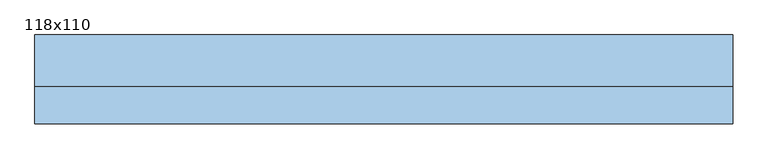
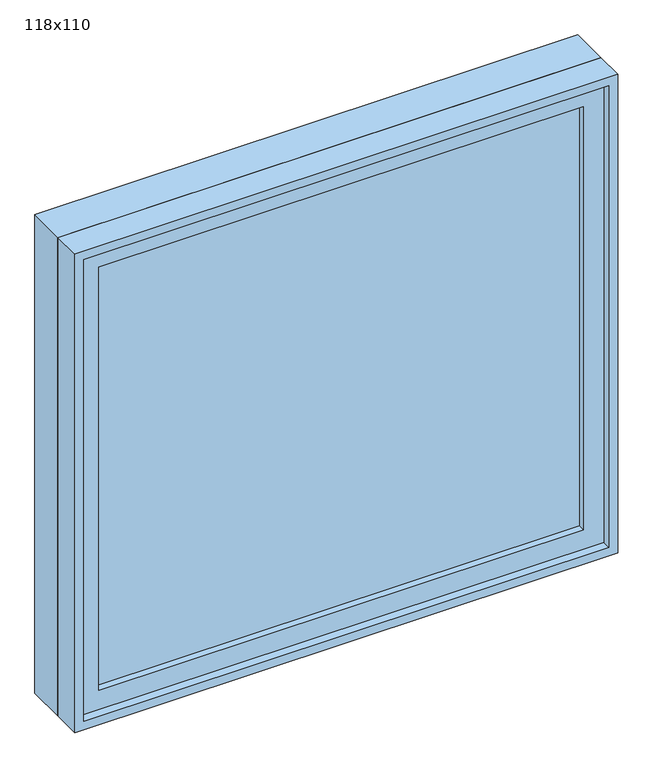
"""IFC4 building model written with IfcOpenShell, lengths in millimetres: window geometry, 118x110."""

import ifcopenshell
import ifcopenshell.guid

model = None  # the IFC model being written
_history = None  # IfcOwnerHistory: only IFC2X3 demands one
_inside = {}  # id of a spatial element -> (the spatial element, [elements in it])
_under = {}  # id of a project, library or spatial element -> (it, [spatial elements below it])
_declared = {}  # id of a project -> (the project, [libraries it declares])
_typed = {}  # id of a type object -> (the type object, [elements of that type])
_made_of = {}  # id of a material, layer set ... -> (it, [elements and type objects made of it])


def new_model(schema):
    """Start an empty IFC model of exactly this schema.

    Asked for "IFC4X3", IfcOpenShell would pick the latest addendum, in which some entities
    have other attributes; the version numbers below select the first issue.
    IFC2X3 requires an IfcOwnerHistory on every rooted entity: one is made here for all.
    """
    global model, _history
    if schema == "IFC4X3":
        model = ifcopenshell.file(schema_version=(4, 3, 0, 0))
    else:
        model = ifcopenshell.file(schema=schema)
    _inside.clear()
    _under.clear()
    _declared.clear()
    _typed.clear()
    _made_of.clear()
    _history = None
    if model.schema == "IFC2X3":
        org = make("IfcOrganization", Name="unknown")
        user = make(
            "IfcPersonAndOrganization",
            ThePerson=make("IfcPerson", FamilyName="unknown"),
            TheOrganization=org,
        )
        app = make(
            "IfcApplication",
            ApplicationDeveloper=org,
            Version="unknown",
            ApplicationFullName="unknown",
            ApplicationIdentifier="unknown",
        )
        _history = make(
            "IfcOwnerHistory",
            OwningUser=user,
            OwningApplication=app,
            ChangeAction="ADDED",
            CreationDate=0,
        )
    return model


def make(cls, **values):
    """One entity of the class cls with the attributes given. An attribute that is None is left unset."""
    return model.create_entity(
        cls, **{name: value for name, value in values.items() if value is not None}
    )


def rooted(cls, **values):
    """An entity with a GlobalId (a new one), such as an element, a storey or a relation."""
    return make(cls, GlobalId=ifcopenshell.guid.new(), OwnerHistory=_history, **values)


def si_unit(unit_type, name, prefix=None):
    """IfcSIUnit, for example si_unit("LENGTHUNIT", "METRE", prefix="MILLI")."""
    return make("IfcSIUnit", UnitType=unit_type, Prefix=prefix, Name=name)


def assignment(units):
    """IfcUnitAssignment: the units of a project."""
    return None if units is None else make("IfcUnitAssignment", Units=units)


def point(xyz):
    """IfcCartesianPoint."""
    return None if xyz is None else make("IfcCartesianPoint", Coordinates=xyz)


def direction(xyz):
    """IfcDirection."""
    return None if xyz is None else make("IfcDirection", DirectionRatios=xyz)


def frame(location, z_axis=None, x_axis=None):
    """IfcAxis2Placement3D, a coordinate frame: its origin and axes. An axis left out is left unset."""
    return make(
        "IfcAxis2Placement3D",
        Location=point(location),
        Axis=direction(z_axis),
        RefDirection=direction(x_axis),
    )


def origin():
    """The frame at (0, 0, 0) with its axes left unset."""
    return frame((0.0, 0.0, 0.0))


def place(relative_to, where):
    """IfcLocalPlacement: puts the frame where relative to a parent placement (None: the world)."""
    return make(
        "IfcLocalPlacement", PlacementRelTo=relative_to, RelativePlacement=where
    )


def context(
    kind, dimensions, precision=None, world=None, true_north=None, identifier=None
):
    """IfcGeometricRepresentationContext, for example the 3D "Model" context."""
    return make(
        "IfcGeometricRepresentationContext",
        ContextIdentifier=identifier,
        ContextType=kind,
        CoordinateSpaceDimension=dimensions,
        Precision=precision,
        WorldCoordinateSystem=world,
        TrueNorth=true_north,
    )


def project(units=None, contexts=None):
    """IfcProject with its units and contexts."""
    return rooted(
        "IfcProject",
        Name="project",
        RepresentationContexts=contexts,
        UnitsInContext=assignment(units),
    )


def spatial(cls, under=None, at=None, **own):
    """A site, building, storey or space (cls), placed at a placement, below another one or the project."""
    s = rooted(cls, ObjectPlacement=at, **own)
    if under is not None:
        _under.setdefault(under.id(), (under, []))[1].append(s)
    return s


def polyline(points):
    """IfcPolyline through the points."""
    return make("IfcPolyline", Points=[point(p) for p in points])


def outline(outer, holes=None, kind="AREA"):
    """IfcArbitraryClosedProfileDef: a profile drawn as a closed curve; with holes, ...WithVoids."""
    if holes is None:
        return make("IfcArbitraryClosedProfileDef", ProfileType=kind, OuterCurve=outer)
    return make(
        "IfcArbitraryProfileDefWithVoids",
        ProfileType=kind,
        OuterCurve=outer,
        InnerCurves=holes,
    )


def extrude(swept, where, along, depth):
    """IfcExtrudedAreaSolid: the profile swept, set in the frame where, extruded along a direction by depth."""
    return make(
        "IfcExtrudedAreaSolid",
        SweptArea=swept,
        Position=where,
        ExtrudedDirection=direction(along),
        Depth=depth,
    )


def shape(context_of_items, identifier, shape_type, items):
    """IfcShapeRepresentation: the items that make up one representation, for example the "Body"."""
    return make(
        "IfcShapeRepresentation",
        ContextOfItems=context_of_items,
        RepresentationIdentifier=identifier,
        RepresentationType=shape_type,
        Items=items,
    )


def source(mapping_origin, context_of_items, identifier, shape_type, items):
    """IfcRepresentationMap: a shape defined once, which mapped items show again and again."""
    return make(
        "IfcRepresentationMap",
        MappingOrigin=mapping_origin,
        MappedRepresentation=shape(context_of_items, identifier, shape_type, items),
    )


def transform(
    local_origin,
    x_axis=None,
    y_axis=None,
    z_axis=None,
    scale=None,
    scale2=None,
    scale3=None,
    uniform=True,
):
    """IfcCartesianTransformationOperator3D, or its non-uniform kind. x_axis, y_axis, z_axis: its Axis1, 2, 3."""
    if uniform:
        return make(
            "IfcCartesianTransformationOperator3D",
            Axis1=direction(x_axis),
            Axis2=direction(y_axis),
            LocalOrigin=point(local_origin),
            Scale=scale,
            Axis3=direction(z_axis),
        )
    return make(
        "IfcCartesianTransformationOperator3DnonUniform",
        Axis1=direction(x_axis),
        Axis2=direction(y_axis),
        LocalOrigin=point(local_origin),
        Scale=scale,
        Axis3=direction(z_axis),
        Scale2=scale2,
        Scale3=scale3,
    )


def mapped(mapping_source, mapping_target):
    """IfcMappedItem: shows the shape of a source again, moved by a transform."""
    return make(
        "IfcMappedItem", MappingSource=mapping_source, MappingTarget=mapping_target
    )


def made_of(thing, what):
    """Note that an element or type object is made of a material, layer set ...; save() writes the relation."""
    if what is not None:
        _made_of.setdefault(what.id(), (what, []))[1].append(thing)
    return thing


def element(
    cls,
    number,
    at=None,
    inside=None,
    cuts=None,
    type_object=None,
    material=None,
    context=None,
    identifier="Body",
    shape_type=None,
    held_by="IfcProductDefinitionShape",
    body=None,
    shapes=None,
    **own,
):
    """One element of the class cls, such as IfcWall. Its Tag is "e" and its number.

    at: its placement. inside: the storey or other place that contains it. cuts: it is an
    opening in that element (IfcRelVoidsElement). A single representation is given by context,
    identifier, shape_type and body (its items); several are given by shapes. held_by: the class
    of the entity that holds the representations. save() writes the other relations.
    """
    e = rooted(cls, Tag="e%d" % number, ObjectPlacement=at, **own)
    if body is not None:
        shapes = [shape(context, identifier, shape_type, body)]
    if shapes is not None:
        e.Representation = make(held_by, Representations=shapes)
    if inside is not None:
        _inside.setdefault(inside.id(), (inside, []))[1].append(e)
    if cuts is not None:
        rooted(
            "IfcRelVoidsElement", RelatingBuildingElement=cuts, RelatedOpeningElement=e
        )
    if type_object is not None:
        _typed.setdefault(type_object.id(), (type_object, []))[1].append(e)
    return made_of(e, material)


def aggregate(whole, parts):
    """IfcRelAggregates: a whole, such as a stair, and the parts it consists of."""
    return rooted("IfcRelAggregates", RelatingObject=whole, RelatedObjects=parts)


def save(model, path):
    """Write the relations noted so far, then the file.

    IfcRelAggregates (storeys below a building ...), IfcRelContainedInSpatialStructure (elements
    in a storey), IfcRelDefinesByType, IfcRelAssociatesMaterial and IfcRelDeclares: one each for
    every whole, place, type object, material and project.
    """
    for whole, parts in _under.values():
        aggregate(whole, parts)
    for where, things in _inside.values():
        rooted(
            "IfcRelContainedInSpatialStructure",
            RelatedElements=things,
            RelatingStructure=where,
        )
    for kind, things in _typed.values():
        rooted("IfcRelDefinesByType", RelatedObjects=things, RelatingType=kind)
    for what, things in _made_of.values():
        rooted("IfcRelAssociatesMaterial", RelatedObjects=things, RelatingMaterial=what)
    for by, libraries in _declared.values():
        rooted("IfcRelDeclares", RelatingContext=by, RelatedDefinitions=libraries)
    model.write(path)


def window_118x110_de2370cb(model_context):
    return source(origin(), model_context, "Body", "SweptSolid", [
        extrude(outline(polyline([(488.4, -27.375), (488.4, -40.075), (-564.6, -40.075), (-564.6, -27.375), (488.4, -27.375)])), frame((0.0, 0.0, 977.9), z_axis=(0.0, 0.0, 1.0), x_axis=(1.0, 0.0, 0.0)), (0.0, 0.0, 1.0), 973.0),
        extrude(outline(polyline([(1995.35, -609.05), (933.45, -609.05), (933.45, 532.85), (1995.35, 532.85), (1995.35, -609.05)]), holes=[polyline([(1950.9, -564.6), (1950.9, 488.4), (977.9, 488.4), (977.9, -564.6), (1950.9, -564.6)])]), frame((0.0, -55.95, 0.0), z_axis=(0.0, 1.0, 0.0), x_axis=(0.0, 0.0, 1.0)), (0.0, 0.0, 1.0), 44.45),
        extrude(outline(polyline([(2014.4, -628.1), (914.4, -628.1), (914.4, 551.9), (2014.4, 551.9), (2014.4, -628.1)]), holes=[polyline([(1982.65, -596.35), (1982.65, 520.15), (946.15, 520.15), (946.15, -596.35), (1982.65, -596.35)])]), frame((0.0, -11.5, 0.0), z_axis=(0.0, 1.0, 0.0), x_axis=(0.0, 0.0, 1.0)), (0.0, 0.0, 1.0), 86.5),
        extrude(outline(polyline([(2014.4, 551.9), (2014.4, -628.1), (914.4, -628.1), (914.4, 551.9), (2014.4, 551.9)]), holes=[polyline([(1995.35, 532.85), (933.45, 532.85), (933.45, -609.05), (1995.35, -609.05), (1995.35, 532.85)])]), frame((0.0, -75.0, 0.0), z_axis=(0.0, 1.0, 0.0), x_axis=(0.0, 0.0, 1.0)), (0.0, 0.0, 1.0), 63.5),
    ])


if __name__ == "__main__":
    model = new_model("IFC4")
    model_context = context("Model", 3, world=origin())
    ifc_project = project(units=[si_unit("LENGTHUNIT", "METRE", prefix="MILLI")], contexts=[model_context])
    site = spatial("IfcSite", under=ifc_project)
    building = spatial("IfcBuilding", under=site)
    placement = place(None, origin())
    window_118x110_shape = window_118x110_de2370cb(model_context)
    element("IfcWindow", 1, ObjectType="118x110", at=placement, inside=building, context=model_context, shape_type="MappedRepresentation", body=[
        mapped(window_118x110_shape, transform((0.0, 0.0, 0.0), x_axis=(1.0, 0.0, 0.0), y_axis=(0.0, 1.0, 0.0), z_axis=(0.0, 0.0, 1.0))),
    ])
    save(model, "model.ifc")
